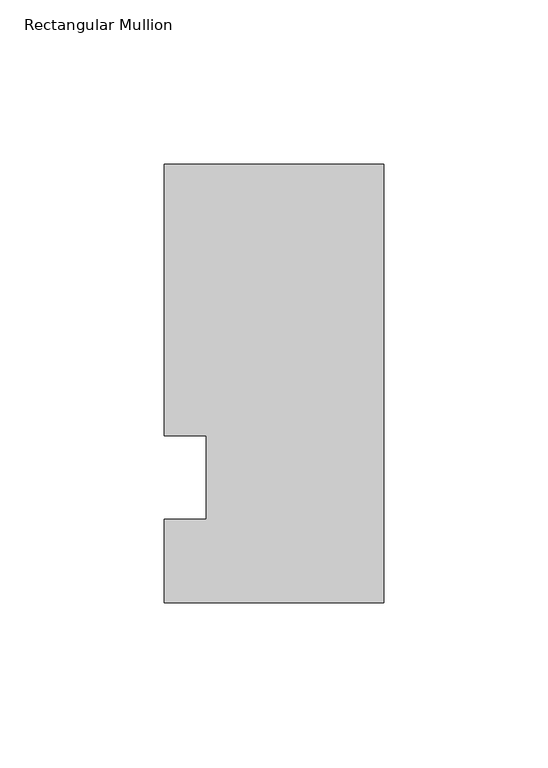
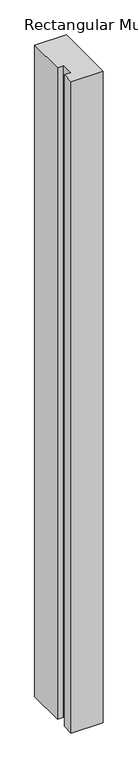
"""IFC4 building model written with IfcOpenShell, lengths in millimetres: member geometry, Rectangular Mullion."""

from ifc_helpers import new_model, si_unit, frame, origin, place, context, project, spatial, polyline, outline, extrude, source, transform, mapped, element, save


def rectangular_mullion_0cd621a8(model_context):
    return source(origin(), model_context, "Body", "SweptSolid", [
        extrude(outline(polyline([(-66.675, 95.25), (0.0, 95.25), (0.0, -38.1), (-66.675, -38.1), (-66.675, -12.7), (-53.9732296, -12.7), (-53.9732296, 12.7), (-66.675, 12.7), (-66.675, 95.25)])), frame((0.0, 0.0, -1449.9166667), z_axis=(0.0, 0.0, 1.0), x_axis=(1.0, 0.0, 0.0)), (0.0, 0.0, 1.0), 1449.9166667),
    ])


if __name__ == "__main__":
    model = new_model("IFC4")
    model_context = context("Model", 3, world=origin())
    ifc_project = project(units=[si_unit("LENGTHUNIT", "METRE", prefix="MILLI")], contexts=[model_context])
    site = spatial("IfcSite", under=ifc_project)
    building = spatial("IfcBuilding", under=site)
    placement = place(None, origin())
    rectangular_mullion_shape = rectangular_mullion_0cd621a8(model_context)
    element("IfcMember", 1, ObjectType="Rectangular Mullion", at=placement, inside=building, context=model_context, shape_type="MappedRepresentation", body=[
        mapped(rectangular_mullion_shape, transform((0.0, 0.0, 0.0), x_axis=(1.0, 0.0, 0.0), y_axis=(0.0, 1.0, 0.0), z_axis=(0.0, 0.0, 1.0))),
    ])
    save(model, "model.ifc")
